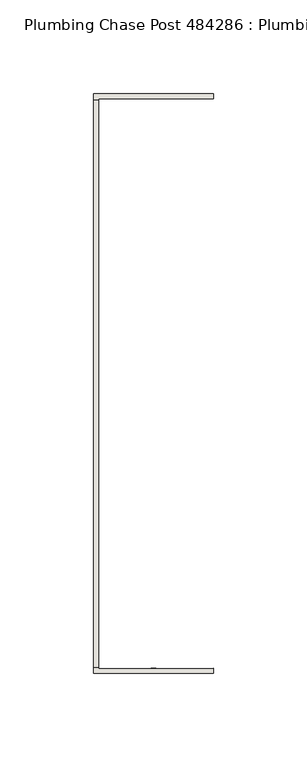
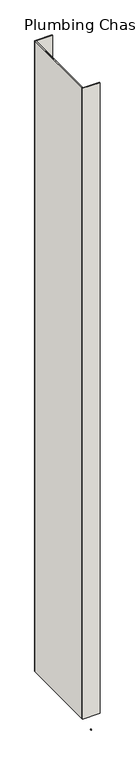
"""IFC4 building model written with IfcOpenShell, lengths in millimetres: wall geometry, Plumbing Chase Post 484286 : Plumbing Chase Post 484286."""

from ifc_helpers import new_model, si_unit, frame, origin, place, context, project, spatial, polyline, outline, extrude, source, transform, mapped, element, save


def plumbing_chase_post_484286_plumbing_chase_post_484286_cf34b3da(model_context):
    return source(origin(), model_context, "Body", "SweptSolid", [
        extrude(outline(polyline([(61878.882211, -45713.316371), (61878.882211, -45715.856371), (61876.342211, -45715.856371), (61876.342211, -45713.316371), (61878.882211, -45713.316371)])), frame((0.0, 0.0, 4419.6), z_axis=(0.0, 0.0, 1.0), x_axis=(1.0, 0.0, 0.0)), (0.0, 0.0, 1.0), 2.54),
        extrude(outline(polyline([(61845.5955618, -45713.1663078), (61845.5955618, -45410.5770222), (61848.2620538, -45410.5770222), (61848.2620538, -45713.1663078), (61845.5955618, -45713.1663078)])), frame((0.0, 0.0, 4474.8958), z_axis=(0.0, 0.0, 1.0), x_axis=(1.0, 0.0, 0.0)), (0.0, 0.0, 1.0), 2481.1482254),
        extrude(outline(polyline([(61845.5955618, -45713.1663078), (61845.5955618, -45410.5770222), (61848.2620538, -45410.5770222), (61848.2620538, -45713.1663078), (61845.5955618, -45713.1663078)])), frame((0.0, 0.0, 4474.8958), z_axis=(0.0, 0.0, 1.0), x_axis=(1.0, 0.0, 0.0)), (0.0, 0.0, 1.0), 2481.1482254),
        extrude(outline(polyline([(61845.5955618, -45716.5955618), (61845.5955618, -45583.2455618), (61848.2620538, -45583.2455618), (61848.2620538, -45713.9538602), (61909.6040444, -45713.9290444), (61909.6040444, -45716.5955618), (61845.5955618, -45716.5955618)])), frame((0.0, 0.0, 4474.8958), z_axis=(0.0, 0.0, 1.0), x_axis=(1.0, 0.0, 0.0)), (0.0, 0.0, 1.0), 2481.1482254),
        extrude(outline(polyline([(61845.5955618, -45716.5955618), (61845.5955618, -45583.2455618), (61848.2620538, -45583.2455618), (61848.2620538, -45713.9538602), (61909.6040444, -45713.9290444), (61909.6040444, -45716.5955618), (61845.5955618, -45716.5955618)])), frame((0.0, 0.0, 4474.8958), z_axis=(0.0, 0.0, 1.0), x_axis=(1.0, 0.0, 0.0)), (0.0, 0.0, 1.0), 2481.1482254),
        extrude(outline(polyline([(61848.2620538, -45540.4729778), (61845.5955618, -45540.4729778), (61845.5955618, -45407.1229778), (61909.6040444, -45407.1229778), (61909.6040444, -45409.7894698), (61848.2620538, -45409.7894698), (61848.2620538, -45540.4729778)])), frame((0.0, 0.0, 4474.8958), z_axis=(0.0, 0.0, 1.0), x_axis=(1.0, 0.0, 0.0)), (0.0, 0.0, 1.0), 2481.1482254),
        extrude(outline(polyline([(61848.2620538, -45540.4729778), (61845.5955618, -45540.4729778), (61845.5955618, -45407.1229778), (61909.6040444, -45407.1229778), (61909.6040444, -45409.7894698), (61848.2620538, -45409.7894698), (61848.2620538, -45540.4729778)])), frame((0.0, 0.0, 4474.8958), z_axis=(0.0, 0.0, 1.0), x_axis=(1.0, 0.0, 0.0)), (0.0, 0.0, 1.0), 2481.1482254),
    ])


if __name__ == "__main__":
    model = new_model("IFC4")
    model_context = context("Model", 3, world=origin())
    ifc_project = project(units=[si_unit("LENGTHUNIT", "METRE", prefix="MILLI")], contexts=[model_context])
    site = spatial("IfcSite", under=ifc_project)
    building = spatial("IfcBuilding", under=site)
    placement = place(None, origin())
    plumbing_chase_post_484286_plumbing_chase_post_484286_shape = plumbing_chase_post_484286_plumbing_chase_post_484286_cf34b3da(model_context)
    element("IfcWall", 1, ObjectType="Plumbing Chase Post 484286 : Plumbing Chase Post 484286", at=placement, inside=building, context=model_context, shape_type="MappedRepresentation", body=[
        mapped(plumbing_chase_post_484286_plumbing_chase_post_484286_shape, transform((0.0, 0.0, 0.0), x_axis=(1.0, 0.0, 0.0), y_axis=(0.0, 1.0, 0.0), z_axis=(0.0, 0.0, 1.0))),
    ])
    save(model, "model.ifc")
